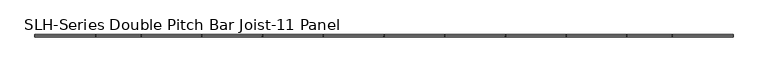
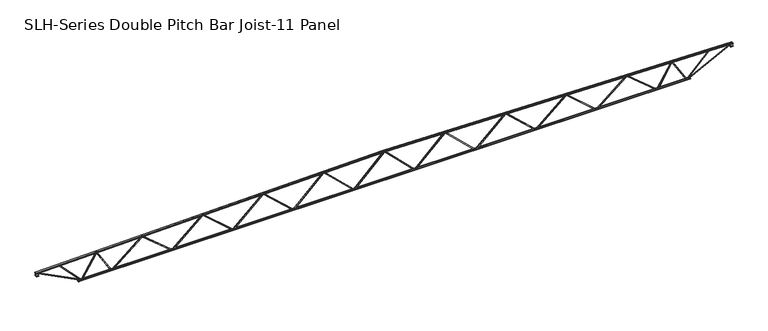
"""IFC4 building model written with IfcOpenShell, lengths in millimetres: beam geometry, SLH-Series Double Pitch Bar Joist-11 Panel."""

import ifcopenshell
import ifcopenshell.guid

model = None  # the IFC model being written
_history = None  # IfcOwnerHistory: only IFC2X3 demands one
_inside = {}  # id of a spatial element -> (the spatial element, [elements in it])
_under = {}  # id of a project, library or spatial element -> (it, [spatial elements below it])
_declared = {}  # id of a project -> (the project, [libraries it declares])
_typed = {}  # id of a type object -> (the type object, [elements of that type])
_made_of = {}  # id of a material, layer set ... -> (it, [elements and type objects made of it])


def new_model(schema):
    """Start an empty IFC model of exactly this schema.

    Asked for "IFC4X3", IfcOpenShell would pick the latest addendum, in which some entities
    have other attributes; the version numbers below select the first issue.
    IFC2X3 requires an IfcOwnerHistory on every rooted entity: one is made here for all.
    """
    global model, _history
    if schema == "IFC4X3":
        model = ifcopenshell.file(schema_version=(4, 3, 0, 0))
    else:
        model = ifcopenshell.file(schema=schema)
    _inside.clear()
    _under.clear()
    _declared.clear()
    _typed.clear()
    _made_of.clear()
    _history = None
    if model.schema == "IFC2X3":
        org = make("IfcOrganization", Name="unknown")
        user = make(
            "IfcPersonAndOrganization",
            ThePerson=make("IfcPerson", FamilyName="unknown"),
            TheOrganization=org,
        )
        app = make(
            "IfcApplication",
            ApplicationDeveloper=org,
            Version="unknown",
            ApplicationFullName="unknown",
            ApplicationIdentifier="unknown",
        )
        _history = make(
            "IfcOwnerHistory",
            OwningUser=user,
            OwningApplication=app,
            ChangeAction="ADDED",
            CreationDate=0,
        )
    return model


def make(cls, **values):
    """One entity of the class cls with the attributes given. An attribute that is None is left unset."""
    return model.create_entity(
        cls, **{name: value for name, value in values.items() if value is not None}
    )


def rooted(cls, **values):
    """An entity with a GlobalId (a new one), such as an element, a storey or a relation."""
    return make(cls, GlobalId=ifcopenshell.guid.new(), OwnerHistory=_history, **values)


def si_unit(unit_type, name, prefix=None):
    """IfcSIUnit, for example si_unit("LENGTHUNIT", "METRE", prefix="MILLI")."""
    return make("IfcSIUnit", UnitType=unit_type, Prefix=prefix, Name=name)


def assignment(units):
    """IfcUnitAssignment: the units of a project."""
    return None if units is None else make("IfcUnitAssignment", Units=units)


def point(xyz):
    """IfcCartesianPoint."""
    return None if xyz is None else make("IfcCartesianPoint", Coordinates=xyz)


def direction(xyz):
    """IfcDirection."""
    return None if xyz is None else make("IfcDirection", DirectionRatios=xyz)


def frame(location, z_axis=None, x_axis=None):
    """IfcAxis2Placement3D, a coordinate frame: its origin and axes. An axis left out is left unset."""
    return make(
        "IfcAxis2Placement3D",
        Location=point(location),
        Axis=direction(z_axis),
        RefDirection=direction(x_axis),
    )


def origin():
    """The frame at (0, 0, 0) with its axes left unset."""
    return frame((0.0, 0.0, 0.0))


def place(relative_to, where):
    """IfcLocalPlacement: puts the frame where relative to a parent placement (None: the world)."""
    return make(
        "IfcLocalPlacement", PlacementRelTo=relative_to, RelativePlacement=where
    )


def context(
    kind, dimensions, precision=None, world=None, true_north=None, identifier=None
):
    """IfcGeometricRepresentationContext, for example the 3D "Model" context."""
    return make(
        "IfcGeometricRepresentationContext",
        ContextIdentifier=identifier,
        ContextType=kind,
        CoordinateSpaceDimension=dimensions,
        Precision=precision,
        WorldCoordinateSystem=world,
        TrueNorth=true_north,
    )


def project(units=None, contexts=None):
    """IfcProject with its units and contexts."""
    return rooted(
        "IfcProject",
        Name="project",
        RepresentationContexts=contexts,
        UnitsInContext=assignment(units),
    )


def spatial(cls, under=None, at=None, **own):
    """A site, building, storey or space (cls), placed at a placement, below another one or the project."""
    s = rooted(cls, ObjectPlacement=at, **own)
    if under is not None:
        _under.setdefault(under.id(), (under, []))[1].append(s)
    return s


def polyline(points):
    """IfcPolyline through the points."""
    return make("IfcPolyline", Points=[point(p) for p in points])


def outline(outer, holes=None, kind="AREA"):
    """IfcArbitraryClosedProfileDef: a profile drawn as a closed curve; with holes, ...WithVoids."""
    if holes is None:
        return make("IfcArbitraryClosedProfileDef", ProfileType=kind, OuterCurve=outer)
    return make(
        "IfcArbitraryProfileDefWithVoids",
        ProfileType=kind,
        OuterCurve=outer,
        InnerCurves=holes,
    )


def extrude(swept, where, along, depth):
    """IfcExtrudedAreaSolid: the profile swept, set in the frame where, extruded along a direction by depth."""
    return make(
        "IfcExtrudedAreaSolid",
        SweptArea=swept,
        Position=where,
        ExtrudedDirection=direction(along),
        Depth=depth,
    )


def faces_of(points, faces, orient=None, outer=None):
    """IfcFace entities. A face is a list of loops; a loop is a list of indices into points, from 0.

    orient and outer hold one flag for each loop. By default every Orientation is true, the
    first loop of a face is its IfcFaceOuterBound and the others are IfcFaceBound.
    """
    made = []
    for i, loops in enumerate(faces):
        bounds = []
        for j, loop in enumerate(loops):
            is_outer = j == 0 if outer is None else outer[i][j]
            bounds.append(
                make(
                    "IfcFaceOuterBound" if is_outer else "IfcFaceBound",
                    Bound=make("IfcPolyLoop", Polygon=[points[k] for k in loop]),
                    Orientation=True if orient is None else orient[i][j],
                )
            )
        made.append(make("IfcFace", Bounds=bounds))
    return made


def faceted_brep(points, faces, orient=None, outer=None, voids=None):
    """IfcFacetedBrep: a solid bounded by flat faces; with voids (closed shells), ...WithVoids."""
    shared = [point(p) for p in points]
    hull = make("IfcClosedShell", CfsFaces=faces_of(shared, faces, orient, outer))
    if voids is None:
        return make("IfcFacetedBrep", Outer=hull)
    return make(
        "IfcFacetedBrepWithVoids",
        Outer=hull,
        Voids=[
            make(cls, CfsFaces=faces_of(shared, fs, o, b)) for cls, fs, o, b in voids
        ],
    )


def shape(context_of_items, identifier, shape_type, items):
    """IfcShapeRepresentation: the items that make up one representation, for example the "Body"."""
    return make(
        "IfcShapeRepresentation",
        ContextOfItems=context_of_items,
        RepresentationIdentifier=identifier,
        RepresentationType=shape_type,
        Items=items,
    )


def source(mapping_origin, context_of_items, identifier, shape_type, items):
    """IfcRepresentationMap: a shape defined once, which mapped items show again and again."""
    return make(
        "IfcRepresentationMap",
        MappingOrigin=mapping_origin,
        MappedRepresentation=shape(context_of_items, identifier, shape_type, items),
    )


def transform(
    local_origin,
    x_axis=None,
    y_axis=None,
    z_axis=None,
    scale=None,
    scale2=None,
    scale3=None,
    uniform=True,
):
    """IfcCartesianTransformationOperator3D, or its non-uniform kind. x_axis, y_axis, z_axis: its Axis1, 2, 3."""
    if uniform:
        return make(
            "IfcCartesianTransformationOperator3D",
            Axis1=direction(x_axis),
            Axis2=direction(y_axis),
            LocalOrigin=point(local_origin),
            Scale=scale,
            Axis3=direction(z_axis),
        )
    return make(
        "IfcCartesianTransformationOperator3DnonUniform",
        Axis1=direction(x_axis),
        Axis2=direction(y_axis),
        LocalOrigin=point(local_origin),
        Scale=scale,
        Axis3=direction(z_axis),
        Scale2=scale2,
        Scale3=scale3,
    )


def mapped(mapping_source, mapping_target):
    """IfcMappedItem: shows the shape of a source again, moved by a transform."""
    return make(
        "IfcMappedItem", MappingSource=mapping_source, MappingTarget=mapping_target
    )


def made_of(thing, what):
    """Note that an element or type object is made of a material, layer set ...; save() writes the relation."""
    if what is not None:
        _made_of.setdefault(what.id(), (what, []))[1].append(thing)
    return thing


def element(
    cls,
    number,
    at=None,
    inside=None,
    cuts=None,
    type_object=None,
    material=None,
    context=None,
    identifier="Body",
    shape_type=None,
    held_by="IfcProductDefinitionShape",
    body=None,
    shapes=None,
    **own,
):
    """One element of the class cls, such as IfcWall. Its Tag is "e" and its number.

    at: its placement. inside: the storey or other place that contains it. cuts: it is an
    opening in that element (IfcRelVoidsElement). A single representation is given by context,
    identifier, shape_type and body (its items); several are given by shapes. held_by: the class
    of the entity that holds the representations. save() writes the other relations.
    """
    e = rooted(cls, Tag="e%d" % number, ObjectPlacement=at, **own)
    if body is not None:
        shapes = [shape(context, identifier, shape_type, body)]
    if shapes is not None:
        e.Representation = make(held_by, Representations=shapes)
    if inside is not None:
        _inside.setdefault(inside.id(), (inside, []))[1].append(e)
    if cuts is not None:
        rooted(
            "IfcRelVoidsElement", RelatingBuildingElement=cuts, RelatedOpeningElement=e
        )
    if type_object is not None:
        _typed.setdefault(type_object.id(), (type_object, []))[1].append(e)
    return made_of(e, material)


def aggregate(whole, parts):
    """IfcRelAggregates: a whole, such as a stair, and the parts it consists of."""
    return rooted("IfcRelAggregates", RelatingObject=whole, RelatedObjects=parts)


def save(model, path):
    """Write the relations noted so far, then the file.

    IfcRelAggregates (storeys below a building ...), IfcRelContainedInSpatialStructure (elements
    in a storey), IfcRelDefinesByType, IfcRelAssociatesMaterial and IfcRelDeclares: one each for
    every whole, place, type object, material and project.
    """
    for whole, parts in _under.values():
        aggregate(whole, parts)
    for where, things in _inside.values():
        rooted(
            "IfcRelContainedInSpatialStructure",
            RelatedElements=things,
            RelatingStructure=where,
        )
    for kind, things in _typed.values():
        rooted("IfcRelDefinesByType", RelatedObjects=things, RelatingType=kind)
    for what, things in _made_of.values():
        rooted("IfcRelAssociatesMaterial", RelatedObjects=things, RelatingMaterial=what)
    for by, libraries in _declared.values():
        rooted("IfcRelDeclares", RelatingContext=by, RelatedDefinitions=libraries)
    model.write(path)


def slh_series_double_pitch_bar_joist_11_panel_3b2e4da5(model_context):
    return source(origin(), model_context, "Body", "SolidModel", [
        faceted_brep([(12801.6005483, 0.0, -863.6), (12801.6005483, 0.0, -914.4), (12801.6005483, -12.7, -914.4), (12801.6005483, -12.7, -863.6), (12817.8412945, 0.0, -863.6), (14596.0777309, 0.0, 610.4397819), (14656.3233291, 0.0, 609.1851802), (14655.2656592, 0.0, 558.3961918), (14613.9332808, 0.0, 559.2569298), (12836.1587055, 0.0, -914.4), (12836.1587055, -12.7, -914.4), (12905.2963134, -12.7, -857.0895196), (12897.1913876, -12.7, -847.3119853), (14592.0008334, -12.7, 557.572368), (14600.1057592, -12.7, 547.7948337), (14613.9332808, -12.7, 559.2569298), (14655.2656592, -12.7, 558.3961918), (14656.3233291, -12.7, 609.1851802), (14596.0777309, -12.7, 610.4397819), (12817.8412945, -12.7, -863.6), (14600.1057592, -50.8, 547.7948337), (12905.2963134, -50.8, -857.0895196), (12897.1913876, -50.8, -847.3119853), (14592.0008334, -50.8, 557.572368)], [[[0, 1, 2, 3]], [[1, 0, 4, 5, 6, 7, 8, 9]], [[2, 1, 9, 10]], [[3, 2, 10, 11, 12, 13, 14, 15, 16, 17, 18, 19]], [[0, 3, 19, 4]], [[9, 8, 15, 14, 20, 21, 11, 10]], [[5, 4, 19, 18]], [[7, 6, 17, 16]], [[8, 7, 16, 15]], [[6, 5, 18, 17]], [[11, 21, 22, 12]], [[13, 23, 20, 14]], [[22, 21, 20, 23]], [[12, 22, 23, 13]]]),
        faceted_brep([(16459.200586, 12.7, -863.6), (16459.200586, 0.0, -863.6), (16459.200586, 0.0, -914.4), (16459.200586, 12.7, -914.4), (16442.9536443, 12.7, -863.6), (16442.9536443, 0.0, -863.6), (14665.1773799, 0.0, 609.0007964), (14605.5343408, 0.0, 610.24285), (14604.4766709, 0.0, 559.4538617), (14646.4116084, 0.0, 558.5805756), (16424.6463557, 0.0, -914.4), (16424.6463557, 12.7, -914.4), (16355.4885392, 12.7, -857.1139074), (16363.5900161, 12.7, -847.3335152), (14668.3446486, 12.7, 556.9037492), (14660.2431717, 12.7, 547.123357), (14646.4116084, 12.7, 558.5805756), (14604.4766709, 12.7, 559.4538617), (14605.5343408, 12.7, 610.24285), (14665.1773799, 12.7, 609.0007964), (16355.4885392, 50.8, -857.1139074), (16363.5900161, 50.8, -847.3335152), (14660.2431717, 50.8, 547.123357), (14668.3446486, 50.8, 556.9037492)], [[[0, 1, 2, 3]], [[1, 0, 4, 5]], [[2, 1, 5, 6, 7, 8, 9, 10]], [[3, 2, 10, 11]], [[0, 3, 11, 12, 13, 14, 15, 16, 17, 18, 19, 4]], [[5, 4, 19, 6]], [[8, 7, 18, 17]], [[7, 6, 19, 18]], [[9, 8, 17, 16]], [[20, 21, 13, 12]], [[22, 15, 14, 23]], [[21, 20, 22, 23]], [[13, 21, 23, 14]], [[20, 12, 11, 10, 9, 16, 15, 22]]]),
        faceted_brep([(9144.0005483, 0.0, -863.6), (9144.0005483, 0.0, -914.4), (9144.0005483, -12.7, -914.4), (9144.0005483, -12.7, -863.6), (9159.8828503, 0.0, -863.6), (10938.116566, 0.0, 686.6160461), (10998.7233291, 0.0, 685.3539232), (10997.6656592, 0.0, 634.5649348), (10956.6944457, 0.0, 635.4181517), (9178.9171497, 0.0, -914.4), (9178.9171497, -12.7, -914.4), (9246.6086066, -12.7, -855.3884192), (9238.2631088, -12.7, -845.8154016), (10934.8106565, -12.7, 633.1888531), (10943.1561543, -12.7, 623.6158355), (10956.6944457, -12.7, 635.4181517), (10997.6656592, -12.7, 634.5649348), (10998.7233291, -12.7, 685.3539232), (10938.116566, -12.7, 686.6160461), (9159.8828503, -12.7, -863.6), (10943.1561543, -50.8, 623.6158355), (9246.6086066, -50.8, -855.3884192), (9238.2631088, -50.8, -845.8154016), (10934.8106565, -50.8, 633.1888531)], [[[0, 1, 2, 3]], [[1, 0, 4, 5, 6, 7, 8, 9]], [[2, 1, 9, 10]], [[3, 2, 10, 11, 12, 13, 14, 15, 16, 17, 18, 19]], [[0, 3, 19, 4]], [[9, 8, 15, 14, 20, 21, 11, 10]], [[5, 4, 19, 18]], [[7, 6, 17, 16]], [[8, 7, 16, 15]], [[6, 5, 18, 17]], [[11, 21, 22, 12]], [[13, 23, 20, 14]], [[22, 21, 20, 23]], [[12, 22, 23, 13]]]),
        faceted_brep([(12801.600586, 12.7, -863.6), (12801.600586, 0.0, -863.6), (12801.600586, 0.0, -914.4), (12801.600586, 12.7, -914.4), (12785.7122535, 12.7, -863.6), (12785.7122535, 0.0, -863.6), (11007.9332225, 0.0, 685.1621291), (10947.9343408, 0.0, 686.4115931), (10946.8766709, 0.0, 635.6226047), (10988.4557659, 0.0, 634.7567289), (12766.6877465, 0.0, -914.4), (12766.6877465, 12.7, -914.4), (12698.9763422, 12.7, -855.4113085), (12707.3186029, 12.7, -845.8354699), (11010.3403075, 12.7, 632.5348293), (11001.9980467, 12.7, 622.9589906), (10988.4557659, 12.7, 634.7567289), (10946.8766709, 12.7, 635.6226047), (10947.9343408, 12.7, 686.4115931), (11007.9332225, 12.7, 685.1621291), (12698.9763422, 50.8, -855.4113085), (12707.3186029, 50.8, -845.8354699), (11001.9980467, 50.8, 622.9589906), (11010.3403075, 50.8, 632.5348293)], [[[0, 1, 2, 3]], [[1, 0, 4, 5]], [[2, 1, 5, 6, 7, 8, 9, 10]], [[3, 2, 10, 11]], [[0, 3, 11, 12, 13, 14, 15, 16, 17, 18, 19, 4]], [[5, 4, 19, 6]], [[8, 7, 18, 17]], [[7, 6, 19, 18]], [[9, 8, 17, 16]], [[20, 21, 13, 12]], [[22, 15, 14, 23]], [[21, 20, 22, 23]], [[13, 21, 23, 14]], [[20, 12, 11, 10, 9, 16, 15, 22]]]),
        faceted_brep([(5486.4005483, 0.0, -863.6), (5486.4005483, 0.0, -914.4), (5486.4005483, -12.7, -914.4), (5486.4005483, -12.7, -863.6), (5501.9361494, 0.0, -863.6), (7280.1671323, 0.0, 762.792066), (7341.1233291, 0.0, 761.5226662), (7340.0656592, 0.0, 710.7336778), (7299.4438793, 0.0, 711.5796178), (5521.6638506, 0.0, -914.4), (5521.6638506, -12.7, -914.4), (5587.9299471, -12.7, -853.792208), (5579.3587109, -12.7, -844.4207667), (7277.6194239, -12.7, 708.8295006), (7286.19066, -12.7, 699.4580594), (7299.4438793, -12.7, 711.5796178), (7340.0656592, -12.7, 710.7336778), (7341.1233291, -12.7, 761.5226662), (7280.1671323, -12.7, 762.792066), (5501.9361494, -12.7, -863.6), (7286.19066, -50.8, 699.4580594), (5587.9299471, -50.8, -853.792208), (5579.3587109, -50.8, -844.4207667), (7277.6194239, -50.8, 708.8295006)], [[[0, 1, 2, 3]], [[1, 0, 4, 5, 6, 7, 8, 9]], [[2, 1, 9, 10]], [[3, 2, 10, 11, 12, 13, 14, 15, 16, 17, 18, 19]], [[0, 3, 19, 4]], [[9, 8, 15, 14, 20, 21, 11, 10]], [[5, 4, 19, 18]], [[7, 6, 17, 16]], [[8, 7, 16, 15]], [[6, 5, 18, 17]], [[11, 21, 22, 12]], [[13, 23, 20, 14]], [[22, 21, 20, 23]], [[12, 22, 23, 13]]]),
        faceted_brep([(9144.000586, 12.7, -863.6), (9144.000586, 0.0, -863.6), (9144.000586, 0.0, -914.4), (9144.000586, 12.7, -914.4), (9128.4591155, 12.7, -863.6), (9128.4591155, 0.0, -863.6), (7350.6773093, 0.0, 761.3237066), (7290.3343408, 0.0, 762.5803361), (7289.2766709, 0.0, 711.7913477), (7330.511679, 0.0, 710.9326375), (9108.7408845, 0.0, -914.4), (9108.7408845, 12.7, -914.4), (9042.4551543, 12.7, -853.8136817), (9051.0233536, 12.7, -844.4394638), (7352.3370244, 12.7, 708.1895917), (7343.768825, 12.7, 698.8153738), (7330.511679, 12.7, 710.9326375), (7289.2766709, 12.7, 711.7913477), (7290.3343408, 12.7, 762.5803361), (7350.6773093, 12.7, 761.3237066), (9042.4551543, 50.8, -853.8136817), (9051.0233536, 50.8, -844.4394638), (7343.768825, 50.8, 698.8153738), (7352.3370244, 50.8, 708.1895917)], [[[0, 1, 2, 3]], [[1, 0, 4, 5]], [[2, 1, 5, 6, 7, 8, 9, 10]], [[3, 2, 10, 11]], [[0, 3, 11, 12, 13, 14, 15, 16, 17, 18, 19, 4]], [[5, 4, 19, 6]], [[8, 7, 18, 17]], [[7, 6, 19, 18]], [[9, 8, 17, 16]], [[20, 21, 13, 12]], [[22, 15, 14, 23]], [[21, 20, 22, 23]], [[13, 21, 23, 14]], [[20, 12, 11, 10, 9, 16, 15, 22]]]),
        faceted_brep([(1828.8005483, 0.0, -863.6), (1828.8005483, 0.0, -914.4), (1828.8005483, -12.7, -914.4), (1828.8005483, -12.7, -863.6), (1844.0009054, 0.0, -863.6), (3622.2291509, 0.0, 838.9678474), (3683.5233291, 0.0, 837.6914092), (3682.4656592, 0.0, 786.9024209), (3642.1818608, 0.0, 787.7413224), (1864.3990946, 0.0, -914.4), (1864.3990946, -12.7, -914.4), (1929.2640419, -12.7, -852.294939), (1920.48106, -12.7, -843.1216501), (3620.4258893, -12.7, 784.493599), (3629.2088713, -12.7, 775.3203102), (3642.1818608, -12.7, 787.7413224), (3682.4656592, -12.7, 786.9024209), (3683.5233291, -12.7, 837.6914092), (3622.2291509, -12.7, 838.9678474), (1844.0009054, -12.7, -863.6), (3629.2088713, -50.8, 775.3203102), (1929.2640419, -50.8, -852.294939), (1920.48106, -50.8, -843.1216501), (3620.4258893, -50.8, 784.493599)], [[[0, 1, 2, 3]], [[1, 0, 4, 5, 6, 7, 8, 9]], [[2, 1, 9, 10]], [[3, 2, 10, 11, 12, 13, 14, 15, 16, 17, 18, 19]], [[0, 3, 19, 4]], [[9, 8, 15, 14, 20, 21, 11, 10]], [[5, 4, 19, 18]], [[7, 6, 17, 16]], [[8, 7, 16, 15]], [[6, 5, 18, 17]], [[11, 21, 22, 12]], [[13, 23, 20, 14]], [[22, 21, 20, 23]], [[12, 22, 23, 13]]]),
        faceted_brep([(5486.400586, 12.7, -863.6), (5486.400586, 0.0, -863.6), (5486.400586, 0.0, -914.4), (5486.400586, 12.7, -914.4), (5471.1945165, 12.7, -863.6), (5471.1945165, 0.0, -863.6), (3693.4099343, 0.0, 837.4855227), (3632.7343408, 0.0, 838.7490791), (3631.6766709, 0.0, 787.9600907), (3672.579054, 0.0, 787.1083073), (5450.8054835, 0.0, -914.4), (5450.8054835, 12.7, -914.4), (5385.9212589, 12.7, -852.3150791), (5394.7013926, 12.7, -843.1390641), (3694.3360327, 12.7, 783.8673382), (3685.555899, 12.7, 774.6913231), (3672.579054, 12.7, 787.1083073), (3631.6766709, 12.7, 787.9600907), (3632.7343408, 12.7, 838.7490791), (3693.4099343, 12.7, 837.4855227), (5385.9212589, 50.8, -852.3150791), (5394.7013926, 50.8, -843.1390641), (3685.555899, 50.8, 774.6913231), (3694.3360327, 50.8, 783.8673382)], [[[0, 1, 2, 3]], [[1, 0, 4, 5]], [[2, 1, 5, 6, 7, 8, 9, 10]], [[3, 2, 10, 11]], [[0, 3, 11, 12, 13, 14, 15, 16, 17, 18, 19, 4]], [[5, 4, 19, 6]], [[8, 7, 18, 17]], [[7, 6, 19, 18]], [[9, 8, 17, 16]], [[20, 21, 13, 12]], [[22, 15, 14, 23]], [[21, 20, 22, 23]], [[13, 21, 23, 14]], [[20, 12, 11, 10, 9, 16, 15, 22]]]),
        faceted_brep([(-1828.8005483, 0.0, -863.6), (-1828.8005483, 0.0, -914.4), (-1828.8005483, 12.7, -914.4), (-1828.8005483, 12.7, -863.6), (-1844.0009054, 0.0, -863.6), (-3622.2291509, 0.0, 838.9678474), (-3683.5233291, 0.0, 837.6914092), (-3682.4656592, 0.0, 786.9024209), (-3642.1818608, 0.0, 787.7413224), (-1864.3990946, 0.0, -914.4), (-1864.3990946, 12.7, -914.4), (-1929.2640419, 12.7, -852.294939), (-1920.48106, 12.7, -843.1216501), (-3620.4258893, 12.7, 784.493599), (-3629.2088713, 12.7, 775.3203102), (-3642.1818608, 12.7, 787.7413224), (-3682.4656592, 12.7, 786.9024209), (-3683.5233291, 12.7, 837.6914092), (-3622.2291509, 12.7, 838.9678474), (-1844.0009054, 12.7, -863.6), (-3629.2088713, 50.8, 775.3203102), (-1929.2640419, 50.8, -852.294939), (-1920.48106, 50.8, -843.1216501), (-3620.4258893, 50.8, 784.493599)], [[[0, 1, 2, 3]], [[1, 0, 4, 5, 6, 7, 8, 9]], [[2, 1, 9, 10]], [[3, 2, 10, 11, 12, 13, 14, 15, 16, 17, 18, 19]], [[0, 3, 19, 4]], [[9, 8, 15, 14, 20, 21, 11, 10]], [[5, 4, 19, 18]], [[7, 6, 17, 16]], [[8, 7, 16, 15]], [[6, 5, 18, 17]], [[11, 21, 22, 12]], [[13, 23, 20, 14]], [[22, 21, 20, 23]], [[12, 22, 23, 13]]]),
        faceted_brep([(-5486.400586, -12.7, -863.6), (-5486.400586, 0.0, -863.6), (-5486.400586, 0.0, -914.4), (-5486.400586, -12.7, -914.4), (-5471.1945165, -12.7, -863.6), (-5471.1945165, 0.0, -863.6), (-3693.4099343, 0.0, 837.4855227), (-3632.7343408, 0.0, 838.7490791), (-3631.6766709, 0.0, 787.9600907), (-3672.579054, 0.0, 787.1083073), (-5450.8054835, 0.0, -914.4), (-5450.8054835, -12.7, -914.4), (-5385.9212589, -12.7, -852.3150791), (-5394.7013926, -12.7, -843.1390641), (-3694.3360327, -12.7, 783.8673382), (-3685.555899, -12.7, 774.6913231), (-3672.579054, -12.7, 787.1083073), (-3631.6766709, -12.7, 787.9600907), (-3632.7343408, -12.7, 838.7490791), (-3693.4099343, -12.7, 837.4855227), (-5385.9212589, -50.8, -852.3150791), (-5394.7013926, -50.8, -843.1390641), (-3685.555899, -50.8, 774.6913231), (-3694.3360327, -50.8, 783.8673382)], [[[0, 1, 2, 3]], [[1, 0, 4, 5]], [[2, 1, 5, 6, 7, 8, 9, 10]], [[3, 2, 10, 11]], [[0, 3, 11, 12, 13, 14, 15, 16, 17, 18, 19, 4]], [[5, 4, 19, 6]], [[8, 7, 18, 17]], [[7, 6, 19, 18]], [[9, 8, 17, 16]], [[20, 21, 13, 12]], [[22, 15, 14, 23]], [[21, 20, 22, 23]], [[13, 21, 23, 14]], [[20, 12, 11, 10, 9, 16, 15, 22]]]),
        faceted_brep([(-5486.4005483, 0.0, -863.6), (-5486.4005483, 0.0, -914.4), (-5486.4005483, 12.7, -914.4), (-5486.4005483, 12.7, -863.6), (-5501.9361494, 0.0, -863.6), (-7280.1671323, 0.0, 762.792066), (-7341.1233291, 0.0, 761.5226662), (-7340.0656592, 0.0, 710.7336778), (-7299.4438793, 0.0, 711.5796178), (-5521.6638506, 0.0, -914.4), (-5521.6638506, 12.7, -914.4), (-5587.9299471, 12.7, -853.792208), (-5579.3587109, 12.7, -844.4207667), (-7277.6194239, 12.7, 708.8295006), (-7286.19066, 12.7, 699.4580594), (-7299.4438793, 12.7, 711.5796178), (-7340.0656592, 12.7, 710.7336778), (-7341.1233291, 12.7, 761.5226662), (-7280.1671323, 12.7, 762.792066), (-5501.9361494, 12.7, -863.6), (-7286.19066, 50.8, 699.4580594), (-5587.9299471, 50.8, -853.792208), (-5579.3587109, 50.8, -844.4207667), (-7277.6194239, 50.8, 708.8295006)], [[[0, 1, 2, 3]], [[1, 0, 4, 5, 6, 7, 8, 9]], [[2, 1, 9, 10]], [[3, 2, 10, 11, 12, 13, 14, 15, 16, 17, 18, 19]], [[0, 3, 19, 4]], [[9, 8, 15, 14, 20, 21, 11, 10]], [[5, 4, 19, 18]], [[7, 6, 17, 16]], [[8, 7, 16, 15]], [[6, 5, 18, 17]], [[11, 21, 22, 12]], [[13, 23, 20, 14]], [[22, 21, 20, 23]], [[12, 22, 23, 13]]]),
        faceted_brep([(-9144.000586, -12.7, -863.6), (-9144.000586, 0.0, -863.6), (-9144.000586, 0.0, -914.4), (-9144.000586, -12.7, -914.4), (-9128.4591155, -12.7, -863.6), (-9128.4591155, 0.0, -863.6), (-7350.6773093, 0.0, 761.3237066), (-7290.3343408, 0.0, 762.5803361), (-7289.2766709, 0.0, 711.7913477), (-7330.511679, 0.0, 710.9326375), (-9108.7408845, 0.0, -914.4), (-9108.7408845, -12.7, -914.4), (-9042.4551543, -12.7, -853.8136817), (-9051.0233536, -12.7, -844.4394638), (-7352.3370244, -12.7, 708.1895917), (-7343.768825, -12.7, 698.8153738), (-7330.511679, -12.7, 710.9326375), (-7289.2766709, -12.7, 711.7913477), (-7290.3343408, -12.7, 762.5803361), (-7350.6773093, -12.7, 761.3237066), (-9042.4551543, -50.8, -853.8136817), (-9051.0233536, -50.8, -844.4394638), (-7343.768825, -50.8, 698.8153738), (-7352.3370244, -50.8, 708.1895917)], [[[0, 1, 2, 3]], [[1, 0, 4, 5]], [[2, 1, 5, 6, 7, 8, 9, 10]], [[3, 2, 10, 11]], [[0, 3, 11, 12, 13, 14, 15, 16, 17, 18, 19, 4]], [[5, 4, 19, 6]], [[8, 7, 18, 17]], [[7, 6, 19, 18]], [[9, 8, 17, 16]], [[20, 21, 13, 12]], [[22, 15, 14, 23]], [[21, 20, 22, 23]], [[13, 21, 23, 14]], [[20, 12, 11, 10, 9, 16, 15, 22]]]),
        faceted_brep([(-9144.0005483, 0.0, -863.6), (-9144.0005483, 0.0, -914.4), (-9144.0005483, 12.7, -914.4), (-9144.0005483, 12.7, -863.6), (-9159.8828503, 0.0, -863.6), (-10938.116566, 0.0, 686.6160461), (-10998.7233291, 0.0, 685.3539232), (-10997.6656592, 0.0, 634.5649348), (-10956.6944457, 0.0, 635.4181517), (-9178.9171497, 0.0, -914.4), (-9178.9171497, 12.7, -914.4), (-9246.6086066, 12.7, -855.3884192), (-9238.2631088, 12.7, -845.8154016), (-10934.8106565, 12.7, 633.1888531), (-10943.1561543, 12.7, 623.6158355), (-10956.6944457, 12.7, 635.4181517), (-10997.6656592, 12.7, 634.5649348), (-10998.7233291, 12.7, 685.3539232), (-10938.116566, 12.7, 686.6160461), (-9159.8828503, 12.7, -863.6), (-10943.1561543, 50.8, 623.6158355), (-9246.6086066, 50.8, -855.3884192), (-9238.2631088, 50.8, -845.8154016), (-10934.8106565, 50.8, 633.1888531)], [[[0, 1, 2, 3]], [[1, 0, 4, 5, 6, 7, 8, 9]], [[2, 1, 9, 10]], [[3, 2, 10, 11, 12, 13, 14, 15, 16, 17, 18, 19]], [[0, 3, 19, 4]], [[9, 8, 15, 14, 20, 21, 11, 10]], [[5, 4, 19, 18]], [[7, 6, 17, 16]], [[8, 7, 16, 15]], [[6, 5, 18, 17]], [[11, 21, 22, 12]], [[13, 23, 20, 14]], [[22, 21, 20, 23]], [[12, 22, 23, 13]]]),
        faceted_brep([(-12801.600586, -12.7, -863.6), (-12801.600586, 0.0, -863.6), (-12801.600586, 0.0, -914.4), (-12801.600586, -12.7, -914.4), (-12785.7122535, -12.7, -863.6), (-12785.7122535, 0.0, -863.6), (-11007.9332225, 0.0, 685.1621291), (-10947.9343408, 0.0, 686.4115931), (-10946.8766709, 0.0, 635.6226047), (-10988.4557659, 0.0, 634.7567289), (-12766.6877465, 0.0, -914.4), (-12766.6877465, -12.7, -914.4), (-12698.9763422, -12.7, -855.4113085), (-12707.3186029, -12.7, -845.8354699), (-11010.3403075, -12.7, 632.5348293), (-11001.9980467, -12.7, 622.9589906), (-10988.4557659, -12.7, 634.7567289), (-10946.8766709, -12.7, 635.6226047), (-10947.9343408, -12.7, 686.4115931), (-11007.9332225, -12.7, 685.1621291), (-12698.9763422, -50.8, -855.4113085), (-12707.3186029, -50.8, -845.8354699), (-11001.9980467, -50.8, 622.9589906), (-11010.3403075, -50.8, 632.5348293)], [[[0, 1, 2, 3]], [[1, 0, 4, 5]], [[2, 1, 5, 6, 7, 8, 9, 10]], [[3, 2, 10, 11]], [[0, 3, 11, 12, 13, 14, 15, 16, 17, 18, 19, 4]], [[5, 4, 19, 6]], [[8, 7, 18, 17]], [[7, 6, 19, 18]], [[9, 8, 17, 16]], [[20, 21, 13, 12]], [[22, 15, 14, 23]], [[21, 20, 22, 23]], [[13, 21, 23, 14]], [[20, 12, 11, 10, 9, 16, 15, 22]]]),
        faceted_brep([(-12801.6005483, 0.0, -863.6), (-12801.6005483, 0.0, -914.4), (-12801.6005483, 12.7, -914.4), (-12801.6005483, 12.7, -863.6), (-12817.8412945, 0.0, -863.6), (-14596.0777309, 0.0, 610.4397819), (-14656.3233291, 0.0, 609.1851802), (-14655.2656592, 0.0, 558.3961918), (-14613.9332808, 0.0, 559.2569298), (-12836.1587055, 0.0, -914.4), (-12836.1587055, 12.7, -914.4), (-12905.2963134, 12.7, -857.0895196), (-12897.1913876, 12.7, -847.3119853), (-14592.0008334, 12.7, 557.572368), (-14600.1057592, 12.7, 547.7948337), (-14613.9332808, 12.7, 559.2569298), (-14655.2656592, 12.7, 558.3961918), (-14656.3233291, 12.7, 609.1851802), (-14596.0777309, 12.7, 610.4397819), (-12817.8412945, 12.7, -863.6), (-14600.1057592, 50.8, 547.7948337), (-12905.2963134, 50.8, -857.0895196), (-12897.1913876, 50.8, -847.3119853), (-14592.0008334, 50.8, 557.572368)], [[[0, 1, 2, 3]], [[1, 0, 4, 5, 6, 7, 8, 9]], [[2, 1, 9, 10]], [[3, 2, 10, 11, 12, 13, 14, 15, 16, 17, 18, 19]], [[0, 3, 19, 4]], [[9, 8, 15, 14, 20, 21, 11, 10]], [[5, 4, 19, 18]], [[7, 6, 17, 16]], [[8, 7, 16, 15]], [[6, 5, 18, 17]], [[11, 21, 22, 12]], [[13, 23, 20, 14]], [[22, 21, 20, 23]], [[12, 22, 23, 13]]]),
        faceted_brep([(-16459.200586, -12.7, -863.6), (-16459.200586, 0.0, -863.6), (-16459.200586, 0.0, -914.4), (-16459.200586, -12.7, -914.4), (-16442.9536443, -12.7, -863.6), (-16442.9536443, 0.0, -863.6), (-14665.1773799, 0.0, 609.0007964), (-14605.5343408, 0.0, 610.24285), (-14604.4766709, 0.0, 559.4538617), (-14646.4116084, 0.0, 558.5805756), (-16424.6463557, 0.0, -914.4), (-16424.6463557, -12.7, -914.4), (-16355.4885392, -12.7, -857.1139074), (-16363.5900161, -12.7, -847.3335152), (-14668.3446486, -12.7, 556.9037492), (-14660.2431717, -12.7, 547.123357), (-14646.4116084, -12.7, 558.5805756), (-14604.4766709, -12.7, 559.4538617), (-14605.5343408, -12.7, 610.24285), (-14665.1773799, -12.7, 609.0007964), (-16355.4885392, -50.8, -857.1139074), (-16363.5900161, -50.8, -847.3335152), (-14660.2431717, -50.8, 547.123357), (-14668.3446486, -50.8, 556.9037492)], [[[0, 1, 2, 3]], [[1, 0, 4, 5]], [[2, 1, 5, 6, 7, 8, 9, 10]], [[3, 2, 10, 11]], [[0, 3, 11, 12, 13, 14, 15, 16, 17, 18, 19, 4]], [[5, 4, 19, 6]], [[8, 7, 18, 17]], [[7, 6, 19, 18]], [[9, 8, 17, 16]], [[20, 21, 13, 12]], [[22, 15, 14, 23]], [[21, 20, 22, 23]], [[13, 21, 23, 14]], [[20, 12, 11, 10, 9, 16, 15, 22]]]),
        faceted_brep([(1828.7994517, 0.0, -863.6), (1828.7994517, 0.0, -914.4), (1828.7994517, 12.7, -914.4), (1828.7994517, 12.7, -863.6), (1813.9210245, 0.0, -863.6), (35.9210245, 0.0, 914.4), (-25.4, 0.0, 914.4), (-25.4, 0.0, 863.6), (14.8789755, 0.0, 863.6), (1792.8789755, 0.0, -914.4), (1792.8789755, 12.7, -914.4), (1729.3789755, 12.7, -850.9), (1738.3592316, 12.7, -841.9197439), (36.5592316, 12.7, 859.8802561), (27.5789755, 12.7, 850.9), (14.8789755, 12.7, 863.6), (-25.4, 12.7, 863.6), (-25.4, 12.7, 914.4), (35.9210245, 12.7, 914.4), (1813.9210245, 12.7, -863.6), (27.5789755, 50.8, 850.9), (1729.3789755, 50.8, -850.9), (1738.3592316, 50.8, -841.9197439), (36.5592316, 50.8, 859.8802561)], [[[0, 1, 2, 3]], [[1, 0, 4, 5, 6, 7, 8, 9]], [[2, 1, 9, 10]], [[3, 2, 10, 11, 12, 13, 14, 15, 16, 17, 18, 19]], [[0, 3, 19, 4]], [[9, 8, 15, 14, 20, 21, 11, 10]], [[5, 4, 19, 18]], [[7, 6, 17, 16]], [[8, 7, 16, 15]], [[6, 5, 18, 17]], [[11, 21, 22, 12]], [[13, 23, 20, 14]], [[22, 21, 20, 23]], [[12, 22, 23, 13]]]),
        faceted_brep([(-1828.800586, -12.7, -863.6), (-1828.800586, 0.0, -863.6), (-1828.800586, 0.0, -914.4), (-1828.800586, -12.7, -914.4), (-1813.9210245, -12.7, -863.6), (-1813.9210245, 0.0, -863.6), (-35.9210245, 0.0, 914.4), (25.4, 0.0, 914.4), (25.4, 0.0, 863.6), (-14.8789755, 0.0, 863.6), (-1792.8789755, 0.0, -914.4), (-1792.8789755, -12.7, -914.4), (-1729.3789755, -12.7, -850.9), (-1738.3592316, -12.7, -841.9197439), (-36.5592316, -12.7, 859.8802561), (-27.5789755, -12.7, 850.9), (-14.8789755, -12.7, 863.6), (25.4, -12.7, 863.6), (25.4, -12.7, 914.4), (-35.9210245, -12.7, 914.4), (-1729.3789755, -50.8, -850.9), (-1738.3592316, -50.8, -841.9197439), (-27.5789755, -50.8, 850.9), (-36.5592316, -50.8, 859.8802561)], [[[0, 1, 2, 3]], [[1, 0, 4, 5]], [[2, 1, 5, 6, 7, 8, 9, 10]], [[3, 2, 10, 11]], [[0, 3, 11, 12, 13, 14, 15, 16, 17, 18, 19, 4]], [[5, 4, 19, 6]], [[8, 7, 18, 17]], [[7, 6, 19, 18]], [[9, 8, 17, 16]], [[20, 21, 13, 12]], [[22, 15, 14, 23]], [[21, 20, 22, 23]], [[13, 21, 23, 14]], [[20, 12, 11, 10, 9, 16, 15, 22]]]),
        faceted_brep([(16459.2005483, 0.0, -863.6), (16459.2005483, 0.0, -914.4), (16459.2005483, -12.7, -914.4), (16459.2005483, -12.7, -863.6), (16470.3344375, 0.0, -863.6), (17334.256423, 0.0, 553.9723787), (17399.8709742, 0.0, 551.6810681), (17398.0980798, 0.0, 500.9120141), (17362.174523, 0.0, 502.1664923), (16498.8655625, 0.0, -914.4), (16498.8655625, -12.7, -914.4), (16545.5996404, -12.7, -837.7160645), (16534.7548942, -12.7, -831.1068678), (17341.9829613, -12.7, 493.4389019), (17352.8277074, -12.7, 486.8297052), (17362.174523, -12.7, 502.1664923), (17398.0980798, -12.7, 500.9120141), (17399.8709742, -12.7, 551.6810681), (17334.256423, -12.7, 553.9723787), (16470.3344375, -12.7, -863.6), (17352.8277074, -50.8, 486.8297052), (16545.5996404, -50.8, -837.7160645), (16534.7548942, -50.8, -831.1068678), (17341.9829613, -50.8, 493.4389019)], [[[0, 1, 2, 3]], [[1, 0, 4, 5, 6, 7, 8, 9]], [[2, 1, 9, 10]], [[3, 2, 10, 11, 12, 13, 14, 15, 16, 17, 18, 19]], [[0, 3, 19, 4]], [[9, 8, 15, 14, 20, 21, 11, 10]], [[5, 4, 19, 18]], [[7, 6, 17, 16]], [[8, 7, 16, 15]], [[6, 5, 18, 17]], [[11, 21, 22, 12]], [[13, 23, 20, 14]], [[22, 21, 20, 23]], [[12, 22, 23, 13]]]),
        faceted_brep([(18288.000586, 12.7, -863.6), (18288.000586, 0.0, -863.6), (18288.000586, 0.0, -914.4), (18288.000586, 12.7, -914.4), (18276.8562674, 12.7, -863.6), (18276.8562674, 0.0, -863.6), (17413.5415379, 0.0, 551.2036815), (17349.1019202, 0.0, 553.4539625), (17347.3290258, 0.0, 502.6849085), (17384.4275161, 0.0, 501.3894007), (18248.3437326, 0.0, -914.4), (18248.3437326, 12.7, -914.4), (18201.566989, 12.7, -837.7420829), (18212.4080556, 12.7, -831.1268523), (17404.6239314, 12.7, 492.6730478), (17393.7828648, 12.7, 486.0578172), (17384.4275161, 12.7, 501.3894007), (17347.3290258, 12.7, 502.6849085), (17349.1019202, 12.7, 553.4539625), (17413.5415379, 12.7, 551.2036815), (18201.566989, 50.8, -837.7420829), (18212.4080556, 50.8, -831.1268523), (17393.7828648, 50.8, 486.0578172), (17404.6239314, 50.8, 492.6730478)], [[[0, 1, 2, 3]], [[1, 0, 4, 5]], [[2, 1, 5, 6, 7, 8, 9, 10]], [[3, 2, 10, 11]], [[0, 3, 11, 12, 13, 14, 15, 16, 17, 18, 19, 4]], [[5, 4, 19, 6]], [[8, 7, 18, 17]], [[7, 6, 19, 18]], [[9, 8, 17, 16]], [[20, 21, 13, 12]], [[22, 15, 14, 23]], [[21, 20, 22, 23]], [[13, 21, 23, 14]], [[20, 12, 11, 10, 9, 16, 15, 22]]]),
        faceted_brep([(-16459.2005483, 0.0, -863.6), (-16459.2005483, 0.0, -914.4), (-16459.2005483, 12.7, -914.4), (-16459.2005483, 12.7, -863.6), (-16470.3344375, 0.0, -863.6), (-17334.256423, 0.0, 553.9723787), (-17399.8709742, 0.0, 551.6810681), (-17398.0980798, 0.0, 500.9120141), (-17362.174523, 0.0, 502.1664923), (-16498.8655625, 0.0, -914.4), (-16498.8655625, 12.7, -914.4), (-16545.5996404, 12.7, -837.7160645), (-16534.7548942, 12.7, -831.1068678), (-17341.9829613, 12.7, 493.4389019), (-17352.8277074, 12.7, 486.8297052), (-17362.174523, 12.7, 502.1664923), (-17398.0980798, 12.7, 500.9120141), (-17399.8709742, 12.7, 551.6810681), (-17334.256423, 12.7, 553.9723787), (-16470.3344375, 12.7, -863.6), (-17352.8277074, 50.8, 486.8297052), (-16545.5996404, 50.8, -837.7160645), (-16534.7548942, 50.8, -831.1068678), (-17341.9829613, 50.8, 493.4389019)], [[[0, 1, 2, 3]], [[1, 0, 4, 5, 6, 7, 8, 9]], [[2, 1, 9, 10]], [[3, 2, 10, 11, 12, 13, 14, 15, 16, 17, 18, 19]], [[0, 3, 19, 4]], [[9, 8, 15, 14, 20, 21, 11, 10]], [[5, 4, 19, 18]], [[7, 6, 17, 16]], [[8, 7, 16, 15]], [[6, 5, 18, 17]], [[11, 21, 22, 12]], [[13, 23, 20, 14]], [[22, 21, 20, 23]], [[12, 22, 23, 13]]]),
        faceted_brep([(-18288.000586, -12.7, -863.6), (-18288.000586, 0.0, -863.6), (-18288.000586, 0.0, -914.4), (-18288.000586, -12.7, -914.4), (-18276.8562674, -12.7, -863.6), (-18276.8562674, 0.0, -863.6), (-17413.5415379, 0.0, 551.2036815), (-17349.1019202, 0.0, 553.4539625), (-17347.3290258, 0.0, 502.6849085), (-17384.4275161, 0.0, 501.3894007), (-18248.3437326, 0.0, -914.4), (-18248.3437326, -12.7, -914.4), (-18201.566989, -12.7, -837.7420829), (-18212.4080556, -12.7, -831.1268523), (-17404.6239314, -12.7, 492.6730478), (-17393.7828648, -12.7, 486.0578172), (-17384.4275161, -12.7, 501.3894007), (-17347.3290258, -12.7, 502.6849085), (-17349.1019202, -12.7, 553.4539625), (-17413.5415379, -12.7, 551.2036815), (-18201.566989, -50.8, -837.7420829), (-18212.4080556, -50.8, -831.1268523), (-17393.7828648, -50.8, 486.0578172), (-17404.6239314, -50.8, 492.6730478)], [[[0, 1, 2, 3]], [[1, 0, 4, 5]], [[2, 1, 5, 6, 7, 8, 9, 10]], [[3, 2, 10, 11]], [[0, 3, 11, 12, 13, 14, 15, 16, 17, 18, 19, 4]], [[5, 4, 19, 6]], [[8, 7, 18, 17]], [[7, 6, 19, 18]], [[9, 8, 17, 16]], [[20, 21, 13, 12]], [[22, 15, 14, 23]], [[21, 20, 22, 23]], [[13, 21, 23, 14]], [[20, 12, 11, 10, 9, 16, 15, 22]]]),
        faceted_brep([(20878.8, 25.4, 416.1034253), (20878.8, 25.4, 298.6297277), (20878.8, 76.2, 298.6297277), (20878.8, 76.2, 285.9297277), (20878.8, 12.7, 285.9297277), (20878.8, 12.7, 416.1034253), (21031.2, 25.4, 412.9297277), (21031.2, 12.7, 412.9297277), (21031.2, 12.7, 285.9297277), (21031.2, 76.2, 285.9297277), (21031.2, 76.2, 298.6297277), (21031.2, 25.4, 298.6297277)], [[[0, 1, 2, 3, 4, 5]], [[6, 7, 8, 9, 10, 11]], [[6, 11, 1, 0]], [[11, 10, 2, 1]], [[10, 9, 3, 2]], [[9, 8, 4, 3]], [[8, 7, 5, 4]], [[7, 6, 0, 5]]]),
        faceted_brep([(20878.8, -76.2, 298.6297277), (20878.8, -25.4, 298.6297277), (20878.8, -25.4, 416.1034253), (20878.8, -12.7, 416.1034253), (20878.8, -12.7, 285.9297277), (20878.8, -76.2, 285.9297277), (21031.2, -76.2, 298.6297277), (21031.2, -76.2, 285.9297277), (21031.2, -12.7, 285.9297277), (21031.2, -12.7, 412.9297277), (21031.2, -25.4, 412.9297277), (21031.2, -25.4, 298.6297277)], [[[0, 1, 2, 3, 4, 5]], [[6, 7, 8, 9, 10, 11]], [[6, 11, 1, 0]], [[11, 10, 2, 1]], [[10, 9, 3, 2]], [[9, 8, 4, 3]], [[8, 7, 5, 4]], [[7, 6, 0, 5]]]),
        faceted_brep([(-20878.8, -25.4, 416.1034253), (-20878.8, -25.4, 298.6297277), (-20878.8, -76.2, 298.6297277), (-20878.8, -76.2, 285.9297277), (-20878.8, -12.7, 285.9297277), (-20878.8, -12.7, 416.1034253), (-21031.2, -25.4, 412.9297277), (-21031.2, -12.7, 412.9297277), (-21031.2, -12.7, 285.9297277), (-21031.2, -76.2, 285.9297277), (-21031.2, -76.2, 298.6297277), (-21031.2, -25.4, 298.6297277)], [[[0, 1, 2, 3, 4, 5]], [[6, 7, 8, 9, 10, 11]], [[6, 11, 1, 0]], [[11, 10, 2, 1]], [[10, 9, 3, 2]], [[9, 8, 4, 3]], [[8, 7, 5, 4]], [[7, 6, 0, 5]]]),
        faceted_brep([(-20878.8, 25.4, 416.1034253), (-20878.8, 12.7, 416.1034253), (-20878.8, 12.7, 285.9297277), (-20878.8, 76.2, 285.9297277), (-20878.8, 76.2, 298.6297277), (-20878.8, 25.4, 298.6297277), (-21031.2, 25.4, 412.9297277), (-21031.2, 25.4, 298.6297277), (-21031.2, 76.2, 298.6297277), (-21031.2, 76.2, 285.9297277), (-21031.2, 12.7, 285.9297277), (-21031.2, 12.7, 412.9297277)], [[[0, 1, 2, 3, 4, 5]], [[6, 7, 8, 9, 10, 11]], [[6, 11, 1, 0]], [[11, 10, 2, 1]], [[10, 9, 3, 2]], [[9, 8, 4, 3]], [[8, 7, 5, 4]], [[7, 6, 0, 5]]]),
        extrude(outline(polyline([(12.7, -914.4), (12.7, -850.9), (25.4, -850.9), (25.4, -901.7), (76.2, -901.7), (76.2, -914.4), (12.7, -914.4)])), frame((-18488.0, 0.0, 0.0), z_axis=(1.0, 0.0, 0.0), x_axis=(0.0, 1.0, 0.0)), (0.0, 0.0, 1.0), 36976.0),
        extrude(outline(polyline([(-12.7, -914.4), (-76.2, -914.4), (-76.2, -901.7), (-25.4, -901.7), (-25.4, -850.9), (-12.7, -850.9), (-12.7, -914.4)])), frame((-18488.0, 0.0, 0.0), z_axis=(1.0, 0.0, 0.0), x_axis=(0.0, 1.0, 0.0)), (0.0, 0.0, 1.0), 36976.0),
        extrude(outline(polyline([(6.35, -25.4), (-6.35, -25.4), (-6.35, 25.4), (6.35, 25.4), (6.35, -25.4)])), frame((-18288.0, 0.0, -908.05), z_axis=(-0.6920650731232507, 0.0, 0.7218351159114591), x_axis=(0.0, -1.0, 0.0)), (0.0, 0.0, 1.0), 1871.7893018),
        extrude(outline(polyline([(0.0, -12.7), (0.0, 0.0), (2909.574727, 0.0), (2909.574727, -12.7), (0.0, -12.7)])), frame((-20890.359586, 6.35, 393.4855688), z_axis=(0.45510181179700976, 0.0, 0.8904394088870277), x_axis=(0.8904394088870277, 0.0, -0.45510181179700976)), (0.0, 0.0, 1.0), 50.8),
        extrude(outline(polyline([(6.35, 25.4000001), (6.35, -25.4000001), (-6.35, -25.4000001), (-6.35, 25.4000001), (6.35, 25.4000001)])), frame((18288.0, 0.0, -908.05), z_axis=(0.692061545418417, 0.0, 0.7218384981095649), x_axis=(0.0, -1.0, 0.0)), (0.0, 0.0, 1.0), 1871.798843),
        extrude(outline(polyline([(0.0, -12.7), (0.0, 0.0), (2909.5753602, 0.0), (2909.5753602, -12.7), (0.0, -12.7)])), frame((18299.5595957, -6.35, -930.6671561), z_axis=(-0.45510219095562254, 0.0, 0.8904392150997125), x_axis=(0.8904392150997125, 0.0, 0.45510219095562254)), (0.0, 0.0, 1.0), 50.8),
        faceted_brep([(21031.2, 76.2, 476.4297277), (21031.2, 12.7, 476.4297277), (21031.2, 12.7, 412.9297277), (21031.2, 25.4, 412.9297277), (21031.2, 25.4, 463.7297277), (21031.2, 76.2, 463.7297277), (4.6101, 76.2, 901.7), (-21031.2, 76.2, 463.7297277), (-21031.2, 76.2, 476.4297277), (4.6101, 76.2, 914.4), (4.6101, 25.4, 901.7), (4.6101, 25.4, 850.9), (-21031.2, 25.4, 412.9297277), (-21031.2, 25.4, 463.7297277), (4.6101, 12.7, 850.9), (4.6101, 12.7, 914.4), (-21031.2, 12.7, 476.4297277), (-21031.2, 12.7, 412.9297277)], [[[0, 1, 2, 3, 4, 5]], [[0, 5, 6, 7, 8, 9]], [[5, 4, 10, 6]], [[4, 3, 11, 12, 13, 10]], [[3, 2, 14, 11]], [[2, 1, 15, 16, 17, 14]], [[1, 0, 9, 15]], [[8, 7, 13, 12, 17, 16]], [[8, 16, 15, 9]], [[17, 12, 11, 14]], [[13, 7, 6, 10]]]),
        faceted_brep([(21031.2, -12.7, 476.4297277), (21031.2, -76.2, 476.4297277), (21031.2, -76.2, 463.7297277), (21031.2, -25.4, 463.7297277), (21031.2, -25.4, 412.9297277), (21031.2, -12.7, 412.9297277), (4.6101, -12.7, 850.9), (-21031.2, -12.7, 412.9297277), (-21031.2, -12.7, 476.4297277), (4.6101, -12.7, 914.4), (4.6101, -25.4, 850.9), (4.6101, -25.4, 901.7), (-21031.2, -25.4, 463.7297277), (-21031.2, -25.4, 412.9297277), (4.6101, -76.2, 901.7), (4.6101, -76.2, 914.4), (-21031.2, -76.2, 476.4297277), (-21031.2, -76.2, 463.7297277)], [[[0, 1, 2, 3, 4, 5]], [[0, 5, 6, 7, 8, 9]], [[5, 4, 10, 6]], [[4, 3, 11, 12, 13, 10]], [[3, 2, 14, 11]], [[2, 1, 15, 16, 17, 14]], [[1, 0, 9, 15]], [[8, 7, 13, 12, 17, 16]], [[8, 16, 15, 9]], [[17, 12, 11, 14]], [[13, 7, 6, 10]]]),
    ])


if __name__ == "__main__":
    model = new_model("IFC4")
    model_context = context("Model", 3, world=origin())
    ifc_project = project(units=[si_unit("LENGTHUNIT", "METRE", prefix="MILLI")], contexts=[model_context])
    site = spatial("IfcSite", under=ifc_project)
    building = spatial("IfcBuilding", under=site)
    placement = place(None, origin())
    slh_series_double_pitch_bar_joist_11_panel_shape = slh_series_double_pitch_bar_joist_11_panel_3b2e4da5(model_context)
    element("IfcBeam", 1, ObjectType="SLH-Series Double Pitch Bar Joist-11 Panel", at=placement, inside=building, context=model_context, shape_type="MappedRepresentation", body=[
        mapped(slh_series_double_pitch_bar_joist_11_panel_shape, transform((0.0, 0.0, 0.0), x_axis=(1.0, 0.0, 0.0), y_axis=(0.0, 1.0, 0.0), z_axis=(0.0, 0.0, 1.0))),
    ])
    save(model, "model.ifc")
